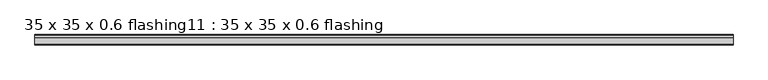
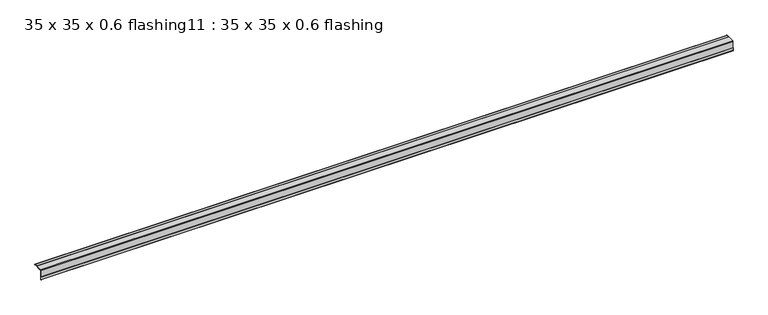
"""IFC4 building model written with IfcOpenShell, lengths in millimetres: proxy geometry, 35 x 35 x 0.6 flashing11 : 35 x 35 x 0.6 flashing."""

from ifc_helpers import new_model, si_unit, point, frame, frame_2d, origin, place, context, project, spatial, polyline, circle_curve, trimmed, segment, composite_curve, outline, extrude, source, transform, mapped, element, save


def proxy_35_x_35_x_0_6_flashing11_35_x_35_x_0_6_flashing_b8ff51be(model_context):
    return source(origin(), model_context, "Body", "SweptSolid", [
        extrude(outline(composite_curve([segment(polyline([(983.6461406, 1425.3887139), (983.6461406, 1426.3887139), (992.6479247, 1426.3887139)]), True, "CONTINUOUS"), segment(trimmed(circle_curve(frame_2d((992.6479247, 1425.3887139)), 1.0), [point((992.6479247, 1426.3887139))], [point((992.6479247, 1424.3887139))], False, "CARTESIAN"), True, "CONTINUOUS"), segment(polyline([(992.6479247, 1424.3887139), (961.1461406, 1424.3887139)]), True, "CONTINUOUS"), segment(trimmed(circle_curve(frame_2d((961.1461406, 1422.8887139)), 1.5), [point((961.1461406, 1424.3887139))], [point((959.6461406, 1422.8887139))], True, "CARTESIAN"), True, "CONTINUOUS"), segment(polyline([(959.6461406, 1422.8887139), (959.6461406, 1391.3560365)]), True, "CONTINUOUS"), segment(trimmed(circle_curve(frame_2d((958.6461406, 1391.3560365)), 1.0), [point((959.6461406, 1391.3560365))], [point((957.6461406, 1391.3560365))], False, "CARTESIAN"), True, "CONTINUOUS"), segment(polyline([(957.6461406, 1391.3560365), (957.6461406, 1400.3887139), (958.6461406, 1400.3887139), (958.6461406, 1422.8887139)]), True, "CONTINUOUS"), segment(trimmed(circle_curve(frame_2d((961.1461406, 1422.8887139)), 2.5), [point((958.6461406, 1422.8887139))], [point((961.1461406, 1425.3887139))], False, "CARTESIAN"), True, "CONTINUOUS"), segment(polyline([(961.1461406, 1425.3887139), (983.6461406, 1425.3887139)]), True, "CONTINUOUS")], self_intersect=False)), frame((1587.3395579, 0.0, 0.0), z_axis=(1.0, 0.0, 0.0), x_axis=(0.0, 1.0, 0.0)), (0.0, 0.0, 1.0), 2410.6438934),
    ])


if __name__ == "__main__":
    model = new_model("IFC4")
    model_context = context("Model", 3, world=origin())
    ifc_project = project(units=[si_unit("LENGTHUNIT", "METRE", prefix="MILLI")], contexts=[model_context])
    site = spatial("IfcSite", under=ifc_project)
    building = spatial("IfcBuilding", under=site)
    placement = place(None, origin())
    proxy_35_x_35_x_0_6_flashing11_35_x_35_x_0_6_flashing_shape = proxy_35_x_35_x_0_6_flashing11_35_x_35_x_0_6_flashing_b8ff51be(model_context)
    element("IfcBuildingElementProxy", 1, Name="35 x 35 x 0.6 flashing11 : 35 x 35 x 0.6 flashing", ObjectType="35 x 35 x 0.6 flashing11 : 35 x 35 x 0.6 flashing", at=placement, inside=building, context=model_context, shape_type="MappedRepresentation", body=[
        mapped(proxy_35_x_35_x_0_6_flashing11_35_x_35_x_0_6_flashing_shape, transform((0.0, 0.0, 0.0), x_axis=(1.0, 0.0, 0.0), y_axis=(0.0, 1.0, 0.0), z_axis=(0.0, 0.0, 1.0))),
    ])
    save(model, "model.ifc")
